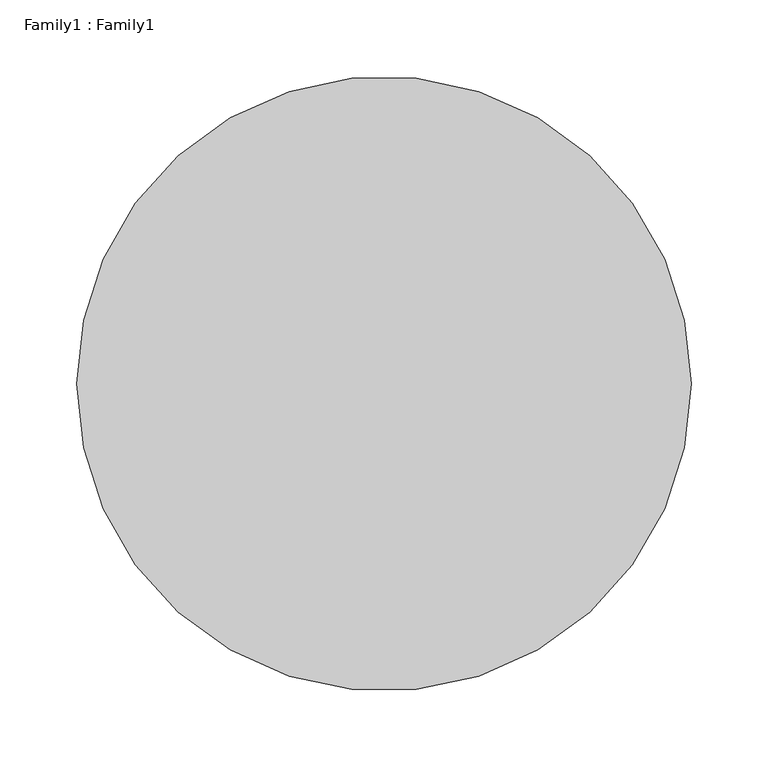
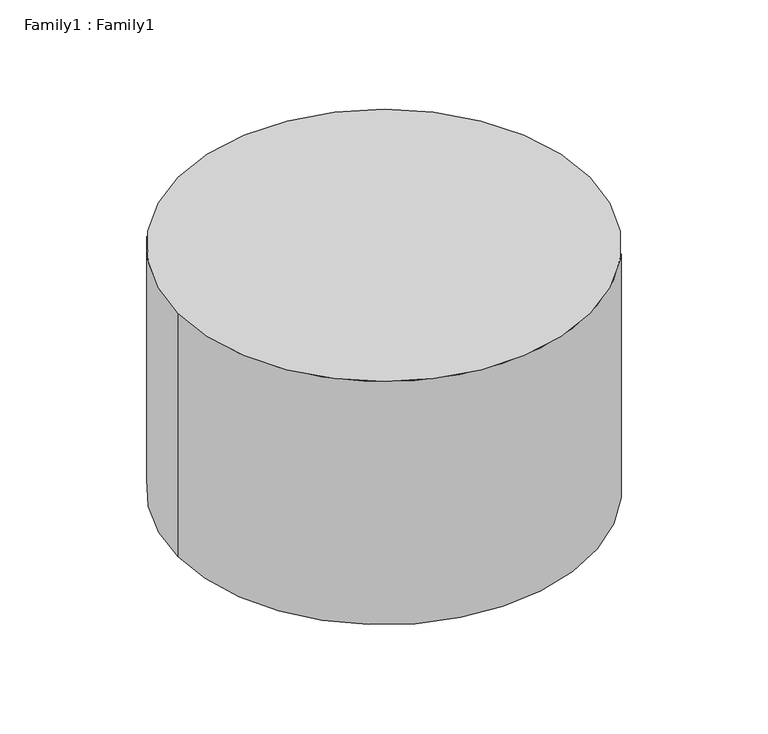
"""IFC4 building model written with IfcOpenShell, lengths in millimetres: proxy geometry, Family1 : Family1."""

from ifc_helpers import new_model, si_unit, point, origin, origin_with_axes, origin_2d, place, context, project, spatial, circle_curve, trimmed, segment, composite_curve, outline, extrude, source, transform, mapped, element, save


def family1_family1_321386ff(model_context):
    return source(origin(), model_context, "Body", "SweptSolid", [
        extrude(outline(composite_curve([segment(trimmed(circle_curve(origin_2d(), 200.0), [point((-200.0, 0.0))], [point((200.0, 0.0))], False, "CARTESIAN"), True, "CONTINUOUS"), segment(trimmed(circle_curve(origin_2d(), 200.0), [point((200.0, 0.0))], [point((-200.0, 0.0))], False, "CARTESIAN"), True, "CONTINUOUS")], self_intersect=False)), origin_with_axes(), (0.0, 0.0, 1.0), 250.0),
    ])


if __name__ == "__main__":
    model = new_model("IFC4")
    model_context = context("Model", 3, world=origin())
    ifc_project = project(units=[si_unit("LENGTHUNIT", "METRE", prefix="MILLI")], contexts=[model_context])
    site = spatial("IfcSite", under=ifc_project)
    building = spatial("IfcBuilding", under=site)
    placement = place(None, origin())
    family1_family1_shape = family1_family1_321386ff(model_context)
    element("IfcBuildingElementProxy", 1, Name="Family1 : Family1", ObjectType="Family1 : Family1", at=placement, inside=building, context=model_context, shape_type="MappedRepresentation", body=[
        mapped(family1_family1_shape, transform((0.0, 0.0, 0.0), x_axis=(1.0, 0.0, 0.0), y_axis=(0.0, 1.0, 0.0), z_axis=(0.0, 0.0, 1.0))),
    ])
    save(model, "model.ifc")
